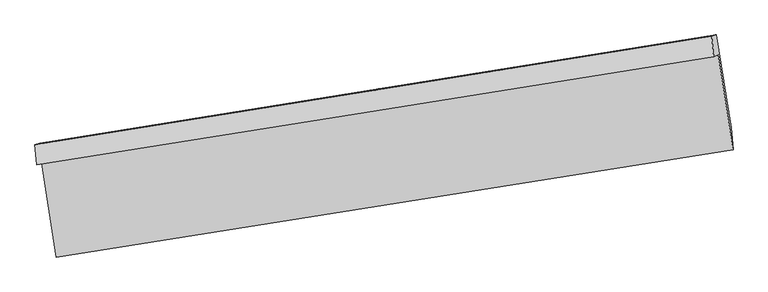
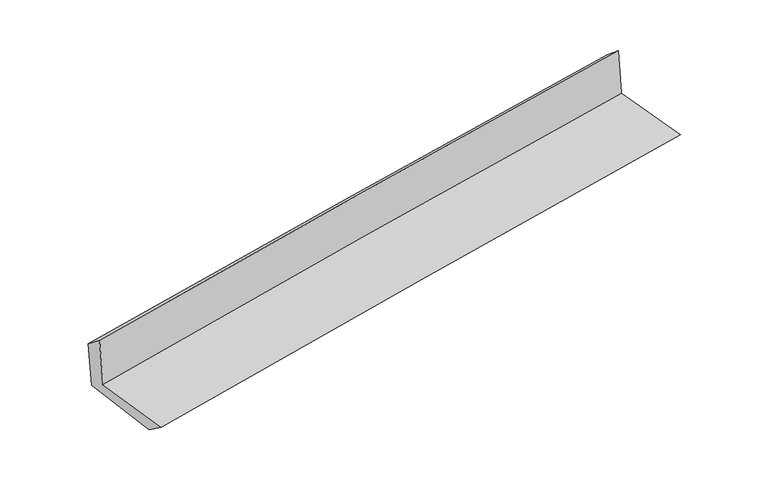
"""IFC4 building model written with IfcOpenShell, lengths in millimetres: proxy geometry."""

from ifc_helpers import new_model, si_unit, frame, origin, place, context, project, spatial, source, transform, mapped, element, save
from ifc_brep_helpers import plane_surface, spline_curve, spline_surface, advanced_brep


def generic_models_7fab29aa(model_context):
    return source(origin(), model_context, "Body", "AdvancedBrep", [
        advanced_brep(
        [(-2410.7504304, -1879.2282443, 1664.4999488), (-2306.063523, -2541.4697728, 1653.4265669), (2460.5019615, -1784.4457637, 2104.6875948), (2355.9008871, -1117.6880461, 2099.5291633), (-2445.098118, -1891.5436544, 2076.300322), (2322.9971115, -1129.4857396, 2494.0182256), (-2457.3598479, -1750.3593541, 1964.5006247), (2310.8155586, -988.2469985, 2379.7170489), (-2425.0044837, -1738.7582943, 1576.5865619), (2341.9246767, -977.0927819, 2006.7444452), (-2319.8794512, -2391.5107255, 1543.6703505), (2447.6545483, -1629.7502024, 1973.8815239)],
        [
            (0, 1),
            (1, 2, spline_curve(3, [(-2306.063523, -2541.4697728, 1653.4265669), (-1508.807928786, -2415.886846313, 1735.820101913), (-711.327552612, -2289.747639269, 1814.762844728), (877.531286165, -2037.397203242, 1965.126738066), (1668.906071213, -1911.195073681, 2036.60433777), (2460.5019615, -1784.4457637, 2104.6875948)], [4, 2, 4], [0.0, 7.98407731967297, 15.902582151184546])),
            (2, 3),
            (3, 0, spline_curve(3, [(2355.9008871, -1117.6880461, 2099.5291633), (1564.005532685, -1246.389361488, 2039.538315985), (772.473304009, -1373.944769701, 1973.465124272), (-816.416507167, -1627.8105596, 1828.55653806), (-1613.768051312, -1754.101883815, 1749.619991659), (-2410.7504304, -1879.2282443, 1664.4999488)], [4, 2, 4], [0.0, 7.9185048315115765, 15.902582151184546])),
            (4, 0),
            (3, 5),
            (5, 4, spline_curve(3, [(2322.9971115, -1129.4857396, 2494.0182256), (1531.203711075, -1258.15049926, 2432.805033854), (739.603334133, -1385.730342292, 2367.548886831), (-849.764952631, -1639.767689807, 2228.376821392), (-1647.529651961, -1766.207151747, 2154.393667593), (-2445.098118, -1891.5436544, 2076.300322)], [4, 2, 4], [0.0, 7.917948240724169, 15.901464360527132])),
            (6, 4),
            (5, 7),
            (7, 6, spline_curve(3, [(2310.8155586, -988.2469985, 2379.7170489), (1518.97612256, -1113.467942103, 2313.136489475), (727.346006407, -1239.323276605, 2245.39233352), (-862.049276621, -1493.350178423, 2107.006210045), (-1659.810962706, -1621.532295688, 2036.344891027), (-2457.3598479, -1750.3593541, 1964.5006247)], [4, 2, 4], [0.0, 7.91769295837625, 15.900951681859139])),
            (8, 6),
            (7, 9),
            (9, 8, spline_curve(3, [(2341.9246767, -977.0927819, 2006.7444452), (1550.155894722, -1102.288392603, 1939.316803417), (758.664250513, -1228.094077601, 1869.912485504), (-830.316745461, -1481.972436125, 1726.559397347), (-1627.80148769, -1610.055255, 1652.577754254), (-2425.0044837, -1738.7582943, 1576.5865619)], [4, 2, 4], [0.0, 7.917553073581059, 15.900670753894257])),
            (10, 8),
            (9, 11),
            (11, 10, spline_curve(3, [(2447.6545483, -1629.7502024, 1973.8815239), (1655.784554758, -1754.961759777, 1906.444963216), (864.192107336, -1880.783303614, 1837.031763158), (-724.990508039, -2134.693333505, 1693.660911246), (-1522.576060551, -2262.791964154, 1619.670386629), (-2319.8794512, -2391.5107255, 1543.6703505)], [4, 2, 4], [0.0, 7.918079007584327, 15.901726977117079])),
            (1, 10),
            (11, 2),
        ],
        [
            spline_surface(3, 3, [[(-2410.7504304, -1879.2282443, 1664.4999488), (-1613.76805132, -1754.101883808, 1749.619991536), (-816.416507293, -1627.810559468, 1828.556538026), (772.473304134, -1373.944769831, 1973.465124305), (1564.00553262, -1246.389361442, 2039.538316002), (2355.9008871, -1117.6880461, 2099.5291633)], [(-2375.854794608, -2099.97542046, 1660.8088215), (-1578.78134385, -1974.696871289, 1745.020028312), (-781.386855698, -1848.456252761, 1823.95864029), (807.492631444, -1595.095580932, 1970.685662255), (1598.97237881, -1467.991265518, 2038.560323294), (2390.767911904, -1339.940618619, 2101.248640491)], [(-2340.959158792, -2320.72259664, 1657.1176942), (-1543.794636358, -2195.29185879, 1740.420065087), (-746.357204105, -2069.10194607, 1819.360742465), (842.511958753, -1816.246392049, 1967.906200116), (1633.939224988, -1689.593169636, 2037.582330515), (2425.634936696, -1562.193191181, 2102.968117609)], [(-2306.063523, -2541.4697728, 1653.4265669), (-1508.807928888, -2415.886846271, 1735.820101863), (-711.32755251, -2289.747639363, 1814.762844728), (877.531286064, -2037.39720315, 1965.126738066), (1668.906071177, -1911.195073712, 2036.604337807), (2460.5019615, -1784.4457637, 2104.6875948)]], [4, 4], [4, 2, 4], [0.0, 2.2016355008140125], [0.0, 7.98407731967297, 15.902582151184546]),
            spline_surface(3, 3, [[(-2445.098118, -1891.5436544, 2076.300322), (-1647.529652024, -1766.207151655, 2154.393667464), (-849.764952523, -1639.767689821, 2228.376821516), (739.603334026, -1385.730342278, 2367.548886708), (1531.203711044, -1258.150499189, 2432.805033865), (2322.9971115, -1129.4857396, 2494.0182256)], [(-2433.648888809, -1887.438517711, 1939.033530932), (-1636.275785132, -1762.172062384, 2019.46910882), (-838.648804119, -1635.781979701, 2095.103393666), (750.559990723, -1381.801818127, 2236.187632553), (1542.137651562, -1254.230119954, 2301.716127904), (2333.965036693, -1125.553175114, 2362.521871493)], [(-2422.199659591, -1883.333380989, 1801.766739868), (-1625.021918212, -1758.136973079, 1884.54455018), (-827.532655697, -1631.796269588, 1961.829965876), (761.516647437, -1377.873293983, 2104.82637846), (1553.071592102, -1250.309740677, 2170.627221963), (2344.932961907, -1121.620610586, 2231.025517407)], [(-2410.7504304, -1879.2282443, 1664.4999488), (-1613.76805132, -1754.101883808, 1749.619991536), (-816.416507293, -1627.810559468, 1828.556538026), (772.473304134, -1373.944769831, 1973.465124305), (1564.00553262, -1246.389361442, 2039.538316002), (2355.9008871, -1117.6880461, 2099.5291633)]], [4, 4], [4, 2, 4], [0.0, 1.3075168572948042], [0.0, 7.983516119802964, 15.901464360527132]),
            spline_surface(3, 3, [[(-2457.3598479, -1750.3593541, 1964.5006247), (-1659.810962774, -1621.532295701, 2036.344891037), (-862.049276722, -1493.35017836, 2107.00620997), (727.346006507, -1239.323276666, 2245.392333594), (1518.976122645, -1113.467942154, 2313.136489446), (2310.8155586, -988.2469985, 2379.7170489)], [(-2453.2726046, -1797.420787527, 2001.767190453), (-1655.717192524, -1669.757247679, 2075.694483165), (-857.954501997, -1542.156015537, 2147.463080478), (731.431782339, -1288.125631894, 2286.111184625), (1523.051985447, -1161.69546116, 2353.02600426), (2314.876076236, -1035.326578862, 2417.81744114)], [(-2449.1853613, -1844.482220973, 2039.033756247), (-1651.623422274, -1717.982199677, 2115.044075335), (-853.859727248, -1590.961852644, 2187.919951007), (735.517558195, -1336.927987051, 2326.830035677), (1527.127848242, -1209.922980182, 2392.915519052), (2318.936593864, -1082.406159238, 2455.91783336)], [(-2445.098118, -1891.5436544, 2076.300322), (-1647.529652024, -1766.207151655, 2154.393667464), (-849.764952523, -1639.767689821, 2228.376821516), (739.603334026, -1385.730342278, 2367.548886708), (1531.203711044, -1258.150499189, 2432.805033865), (2322.9971115, -1129.4857396, 2494.0182256)]], [4, 4], [4, 2, 4], [0.0, 0.6260532487128304], [0.0, 7.983258723482889, 15.900951681859139]),
            spline_surface(3, 3, [[(-2425.0044837, -1738.7582943, 1576.5865619), (-1627.801487806, -1610.055254956, 1652.57775413), (-830.316745339, -1481.972436037, 1726.559397344), (758.664250392, -1228.094077688, 1869.912485508), (1550.155894688, -1102.288392487, 1939.3168034), (2341.9246767, -977.0927819, 2006.7444452)], [(-2435.789605086, -1742.625314233, 1705.891249519), (-1638.471312782, -1613.880935204, 1780.500133118), (-840.894255796, -1485.765016789, 1853.375001579), (748.224835768, -1231.837143992, 1995.072434896), (1539.762637323, -1106.014909042, 2063.923365412), (2331.55497065, -980.810854099, 2131.06864643)], [(-2446.574726514, -1746.492334167, 1835.195937081), (-1649.141137798, -1617.706615453, 1908.422512049), (-851.471766266, -1489.557597609, 1980.190605735), (737.785421131, -1235.580210363, 2120.232384206), (1529.36938001, -1109.741425599, 2188.529927434), (2321.18526465, -984.528926301, 2255.39284767)], [(-2457.3598479, -1750.3593541, 1964.5006247), (-1659.810962774, -1621.532295701, 2036.344891037), (-862.049276722, -1493.35017836, 2107.00620997), (727.346006507, -1239.323276666, 2245.392333594), (1518.976122645, -1113.467942154, 2313.136489446), (2310.8155586, -988.2469985, 2379.7170489)]], [4, 4], [4, 2, 4], [0.0, 1.2449632501885033], [0.0, 7.983117680313198, 15.900670753894257]),
            spline_surface(3, 3, [[(-2319.8794512, -2391.5107255, 1543.6703505), (-1522.576060649, -2262.791964084, 1619.670386695), (-724.990508134, -2134.693333584, 1693.660911116), (864.19210743, -1880.783303536, 1837.031763287), (1655.784554706, -1754.961759685, 1906.444963279), (2447.6545483, -1629.7502024, 1973.8815239)], [(-2354.921128695, -2173.926581772, 1554.642420974), (-1557.65120303, -2045.213061047, 1630.63950918), (-760.09925389, -1917.119701083, 1704.627073169), (829.016155063, -1663.220228268, 1847.992004005), (1620.575001369, -1537.403970626, 1917.402243296), (2412.411257769, -1412.197728907, 1984.835830977)], [(-2389.962806205, -1956.342438028, 1565.614491426), (-1592.726345425, -1827.634157993, 1641.608631644), (-795.207999583, -1699.546068538, 1715.59323529), (793.840202759, -1445.657152956, 1858.95224479), (1585.365448025, -1319.846181546, 1928.359523383), (2377.167967231, -1194.645255393, 1995.790138123)], [(-2425.0044837, -1738.7582943, 1576.5865619), (-1627.801487806, -1610.055254956, 1652.57775413), (-830.316745339, -1481.972436037, 1726.559397344), (758.664250392, -1228.094077688, 1869.912485508), (1550.155894688, -1102.288392487, 1939.3168034), (2341.9246767, -977.0927819, 2006.7444452)]], [4, 4], [4, 2, 4], [0.0, 2.171857742219998], [0.0, 7.983647969532752, 15.901726977117079]),
            spline_surface(3, 3, [[(-2306.063523, -2541.4697728, 1653.4265669), (-1508.807928888, -2415.886846271, 1735.820101863), (-711.32755251, -2289.747639363, 1814.762844728), (877.531286064, -2037.39720315, 1965.126738066), (1668.906071177, -1911.195073712, 2036.604337807), (2460.5019615, -1784.4457637, 2104.6875948)], [(-2310.668832401, -2491.483423697, 1616.841161422), (-1513.397306142, -2364.855218872, 1697.103530129), (-715.881871021, -2238.062870762, 1774.395533518), (873.084893216, -1985.192569938, 1922.428413134), (1664.532232369, -1859.117302369, 1993.217879633), (2456.219490449, -1732.880576599, 2061.085571169)], [(-2315.274141799, -2441.497074603, 1580.255755978), (-1517.986683394, -2313.823591483, 1658.386958428), (-720.436189623, -2186.378102184, 1734.028222326), (868.638500278, -1932.987936748, 1879.730088219), (1660.158393515, -1807.039531028, 1949.831421452), (2451.937019351, -1681.315389501, 2017.483547531)], [(-2319.8794512, -2391.5107255, 1543.6703505), (-1522.576060649, -2262.791964084, 1619.670386695), (-724.990508134, -2134.693333584, 1693.660911116), (864.19210743, -1880.783303536, 1837.031763287), (1655.784554706, -1754.961759685, 1906.444963279), (2447.6545483, -1629.7502024, 1973.8815239)]], [4, 4], [4, 2, 4], [0.0, 0.6560214028557172], [0.0, 7.98434156384669, 15.903108469319042]),
            plane_surface(frame((2373.2991239, -1271.1182553, 2176.4296669), z_axis=(0.9840922880765183, 0.15505548916813686, 0.08671887814745244), x_axis=(-0.08308306722279887, -0.029789546684250687, 0.9960972778043311))),
            plane_surface(frame((-2394.0259757, -2032.1450076, 1746.4973958), z_axis=(-0.9842377314798277, -0.15413817773912444, -0.08670357602028057), x_axis=(-0.1561194794772167, 0.9876001240743141, 0.016513723267704554))),
        ],
        [
            (0, [[1, 2, 3, 4]]),
            (1, [[5, -4, 6, 7]]),
            (2, [[8, -7, 9, 10]]),
            (3, [[11, -10, 12, 13]]),
            (4, [[14, -13, 15, 16]]),
            (5, [[17, -16, 18, -2]]),
            (6, [[-12, -9, -6, -3, -18, -15]]),
            (7, [[-1, -5, -8, -11, -14, -17]]),
        ],
    ),
    ])


if __name__ == "__main__":
    model = new_model("IFC4")
    model_context = context("Model", 3, world=origin())
    ifc_project = project(units=[si_unit("LENGTHUNIT", "METRE", prefix="MILLI")], contexts=[model_context])
    site = spatial("IfcSite", under=ifc_project)
    building = spatial("IfcBuilding", under=site)
    placement = place(None, origin())
    generic_models_shape = generic_models_7fab29aa(model_context)
    element("IfcBuildingElementProxy", 1, Name="Generic Models", at=placement, inside=building, context=model_context, shape_type="MappedRepresentation", body=[
        mapped(generic_models_shape, transform((0.0, 0.0, 0.0), x_axis=(1.0, 0.0, 0.0), y_axis=(0.0, 1.0, 0.0), z_axis=(0.0, 0.0, 1.0))),
    ])
    save(model, "model.ifc")
